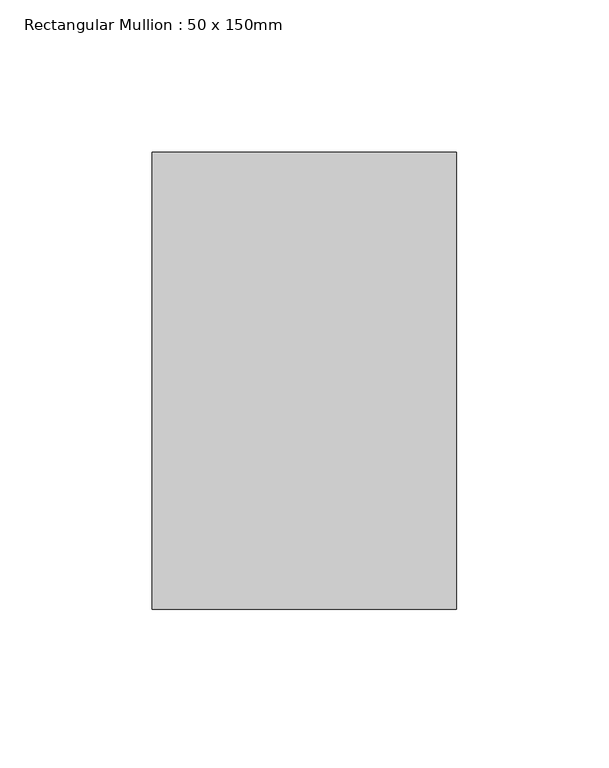
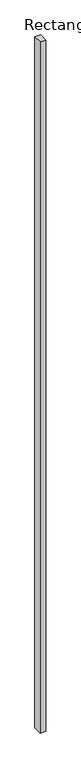
"""IFC4 building model written with IfcOpenShell, lengths in millimetres: member geometry, Rectangular Mullion : 50 x 150mm."""

import ifcopenshell
import ifcopenshell.guid

model = None  # the IFC model being written
_history = None  # IfcOwnerHistory: only IFC2X3 demands one
_inside = {}  # id of a spatial element -> (the spatial element, [elements in it])
_under = {}  # id of a project, library or spatial element -> (it, [spatial elements below it])
_declared = {}  # id of a project -> (the project, [libraries it declares])
_typed = {}  # id of a type object -> (the type object, [elements of that type])
_made_of = {}  # id of a material, layer set ... -> (it, [elements and type objects made of it])


def new_model(schema):
    """Start an empty IFC model of exactly this schema.

    Asked for "IFC4X3", IfcOpenShell would pick the latest addendum, in which some entities
    have other attributes; the version numbers below select the first issue.
    IFC2X3 requires an IfcOwnerHistory on every rooted entity: one is made here for all.
    """
    global model, _history
    if schema == "IFC4X3":
        model = ifcopenshell.file(schema_version=(4, 3, 0, 0))
    else:
        model = ifcopenshell.file(schema=schema)
    _inside.clear()
    _under.clear()
    _declared.clear()
    _typed.clear()
    _made_of.clear()
    _history = None
    if model.schema == "IFC2X3":
        org = make("IfcOrganization", Name="unknown")
        user = make(
            "IfcPersonAndOrganization",
            ThePerson=make("IfcPerson", FamilyName="unknown"),
            TheOrganization=org,
        )
        app = make(
            "IfcApplication",
            ApplicationDeveloper=org,
            Version="unknown",
            ApplicationFullName="unknown",
            ApplicationIdentifier="unknown",
        )
        _history = make(
            "IfcOwnerHistory",
            OwningUser=user,
            OwningApplication=app,
            ChangeAction="ADDED",
            CreationDate=0,
        )
    return model


def make(cls, **values):
    """One entity of the class cls with the attributes given. An attribute that is None is left unset."""
    return model.create_entity(
        cls, **{name: value for name, value in values.items() if value is not None}
    )


def rooted(cls, **values):
    """An entity with a GlobalId (a new one), such as an element, a storey or a relation."""
    return make(cls, GlobalId=ifcopenshell.guid.new(), OwnerHistory=_history, **values)


def si_unit(unit_type, name, prefix=None):
    """IfcSIUnit, for example si_unit("LENGTHUNIT", "METRE", prefix="MILLI")."""
    return make("IfcSIUnit", UnitType=unit_type, Prefix=prefix, Name=name)


def assignment(units):
    """IfcUnitAssignment: the units of a project."""
    return None if units is None else make("IfcUnitAssignment", Units=units)


def point(xyz):
    """IfcCartesianPoint."""
    return None if xyz is None else make("IfcCartesianPoint", Coordinates=xyz)


def direction(xyz):
    """IfcDirection."""
    return None if xyz is None else make("IfcDirection", DirectionRatios=xyz)


def frame(location, z_axis=None, x_axis=None):
    """IfcAxis2Placement3D, a coordinate frame: its origin and axes. An axis left out is left unset."""
    return make(
        "IfcAxis2Placement3D",
        Location=point(location),
        Axis=direction(z_axis),
        RefDirection=direction(x_axis),
    )


def origin():
    """The frame at (0, 0, 0) with its axes left unset."""
    return frame((0.0, 0.0, 0.0))


def place(relative_to, where):
    """IfcLocalPlacement: puts the frame where relative to a parent placement (None: the world)."""
    return make(
        "IfcLocalPlacement", PlacementRelTo=relative_to, RelativePlacement=where
    )


def context(
    kind, dimensions, precision=None, world=None, true_north=None, identifier=None
):
    """IfcGeometricRepresentationContext, for example the 3D "Model" context."""
    return make(
        "IfcGeometricRepresentationContext",
        ContextIdentifier=identifier,
        ContextType=kind,
        CoordinateSpaceDimension=dimensions,
        Precision=precision,
        WorldCoordinateSystem=world,
        TrueNorth=true_north,
    )


def project(units=None, contexts=None):
    """IfcProject with its units and contexts."""
    return rooted(
        "IfcProject",
        Name="project",
        RepresentationContexts=contexts,
        UnitsInContext=assignment(units),
    )


def spatial(cls, under=None, at=None, **own):
    """A site, building, storey or space (cls), placed at a placement, below another one or the project."""
    s = rooted(cls, ObjectPlacement=at, **own)
    if under is not None:
        _under.setdefault(under.id(), (under, []))[1].append(s)
    return s


def polyline(points):
    """IfcPolyline through the points."""
    return make("IfcPolyline", Points=[point(p) for p in points])


def outline(outer, holes=None, kind="AREA"):
    """IfcArbitraryClosedProfileDef: a profile drawn as a closed curve; with holes, ...WithVoids."""
    if holes is None:
        return make("IfcArbitraryClosedProfileDef", ProfileType=kind, OuterCurve=outer)
    return make(
        "IfcArbitraryProfileDefWithVoids",
        ProfileType=kind,
        OuterCurve=outer,
        InnerCurves=holes,
    )


def extrude(swept, where, along, depth):
    """IfcExtrudedAreaSolid: the profile swept, set in the frame where, extruded along a direction by depth."""
    return make(
        "IfcExtrudedAreaSolid",
        SweptArea=swept,
        Position=where,
        ExtrudedDirection=direction(along),
        Depth=depth,
    )


def shape(context_of_items, identifier, shape_type, items):
    """IfcShapeRepresentation: the items that make up one representation, for example the "Body"."""
    return make(
        "IfcShapeRepresentation",
        ContextOfItems=context_of_items,
        RepresentationIdentifier=identifier,
        RepresentationType=shape_type,
        Items=items,
    )


def source(mapping_origin, context_of_items, identifier, shape_type, items):
    """IfcRepresentationMap: a shape defined once, which mapped items show again and again."""
    return make(
        "IfcRepresentationMap",
        MappingOrigin=mapping_origin,
        MappedRepresentation=shape(context_of_items, identifier, shape_type, items),
    )


def transform(
    local_origin,
    x_axis=None,
    y_axis=None,
    z_axis=None,
    scale=None,
    scale2=None,
    scale3=None,
    uniform=True,
):
    """IfcCartesianTransformationOperator3D, or its non-uniform kind. x_axis, y_axis, z_axis: its Axis1, 2, 3."""
    if uniform:
        return make(
            "IfcCartesianTransformationOperator3D",
            Axis1=direction(x_axis),
            Axis2=direction(y_axis),
            LocalOrigin=point(local_origin),
            Scale=scale,
            Axis3=direction(z_axis),
        )
    return make(
        "IfcCartesianTransformationOperator3DnonUniform",
        Axis1=direction(x_axis),
        Axis2=direction(y_axis),
        LocalOrigin=point(local_origin),
        Scale=scale,
        Axis3=direction(z_axis),
        Scale2=scale2,
        Scale3=scale3,
    )


def mapped(mapping_source, mapping_target):
    """IfcMappedItem: shows the shape of a source again, moved by a transform."""
    return make(
        "IfcMappedItem", MappingSource=mapping_source, MappingTarget=mapping_target
    )


def made_of(thing, what):
    """Note that an element or type object is made of a material, layer set ...; save() writes the relation."""
    if what is not None:
        _made_of.setdefault(what.id(), (what, []))[1].append(thing)
    return thing


def element(
    cls,
    number,
    at=None,
    inside=None,
    cuts=None,
    type_object=None,
    material=None,
    context=None,
    identifier="Body",
    shape_type=None,
    held_by="IfcProductDefinitionShape",
    body=None,
    shapes=None,
    **own,
):
    """One element of the class cls, such as IfcWall. Its Tag is "e" and its number.

    at: its placement. inside: the storey or other place that contains it. cuts: it is an
    opening in that element (IfcRelVoidsElement). A single representation is given by context,
    identifier, shape_type and body (its items); several are given by shapes. held_by: the class
    of the entity that holds the representations. save() writes the other relations.
    """
    e = rooted(cls, Tag="e%d" % number, ObjectPlacement=at, **own)
    if body is not None:
        shapes = [shape(context, identifier, shape_type, body)]
    if shapes is not None:
        e.Representation = make(held_by, Representations=shapes)
    if inside is not None:
        _inside.setdefault(inside.id(), (inside, []))[1].append(e)
    if cuts is not None:
        rooted(
            "IfcRelVoidsElement", RelatingBuildingElement=cuts, RelatedOpeningElement=e
        )
    if type_object is not None:
        _typed.setdefault(type_object.id(), (type_object, []))[1].append(e)
    return made_of(e, material)


def aggregate(whole, parts):
    """IfcRelAggregates: a whole, such as a stair, and the parts it consists of."""
    return rooted("IfcRelAggregates", RelatingObject=whole, RelatedObjects=parts)


def save(model, path):
    """Write the relations noted so far, then the file.

    IfcRelAggregates (storeys below a building ...), IfcRelContainedInSpatialStructure (elements
    in a storey), IfcRelDefinesByType, IfcRelAssociatesMaterial and IfcRelDeclares: one each for
    every whole, place, type object, material and project.
    """
    for whole, parts in _under.values():
        aggregate(whole, parts)
    for where, things in _inside.values():
        rooted(
            "IfcRelContainedInSpatialStructure",
            RelatedElements=things,
            RelatingStructure=where,
        )
    for kind, things in _typed.values():
        rooted("IfcRelDefinesByType", RelatedObjects=things, RelatingType=kind)
    for what, things in _made_of.values():
        rooted("IfcRelAssociatesMaterial", RelatedObjects=things, RelatingMaterial=what)
    for by, libraries in _declared.values():
        rooted("IfcRelDeclares", RelatingContext=by, RelatedDefinitions=libraries)
    model.write(path)


def rectangular_mullion_50_x_150mm_14c14376(model_context):
    return source(origin(), model_context, "Body", "SweptSolid", [
        extrude(outline(polyline([(0.0, 75.0), (0.0, -75.0), (-100.0, -75.0), (-100.0, 75.0), (0.0, 75.0)])), frame((0.0, 0.0, -12305.6429454), z_axis=(0.0, 0.0, 1.0), x_axis=(1.0, 0.0, 0.0)), (0.0, 0.0, 1.0), 12305.6429454),
    ])


if __name__ == "__main__":
    model = new_model("IFC4")
    model_context = context("Model", 3, world=origin())
    ifc_project = project(units=[si_unit("LENGTHUNIT", "METRE", prefix="MILLI")], contexts=[model_context])
    site = spatial("IfcSite", under=ifc_project)
    building = spatial("IfcBuilding", under=site)
    placement = place(None, origin())
    rectangular_mullion_50_x_150mm_shape = rectangular_mullion_50_x_150mm_14c14376(model_context)
    element("IfcMember", 1, ObjectType="Rectangular Mullion : 50 x 150mm", at=placement, inside=building, context=model_context, shape_type="MappedRepresentation", body=[
        mapped(rectangular_mullion_50_x_150mm_shape, transform((0.0, 0.0, 0.0), x_axis=(1.0, 0.0, 0.0), y_axis=(0.0, 1.0, 0.0), z_axis=(0.0, 0.0, 1.0))),
    ])
    save(model, "model.ifc")
